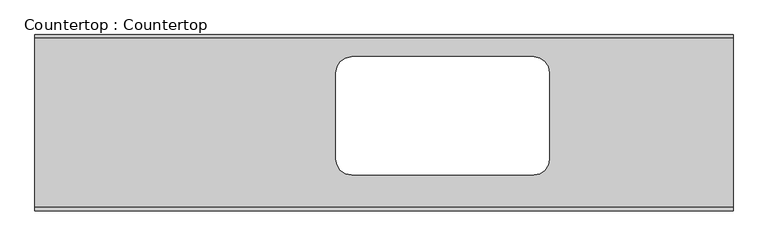
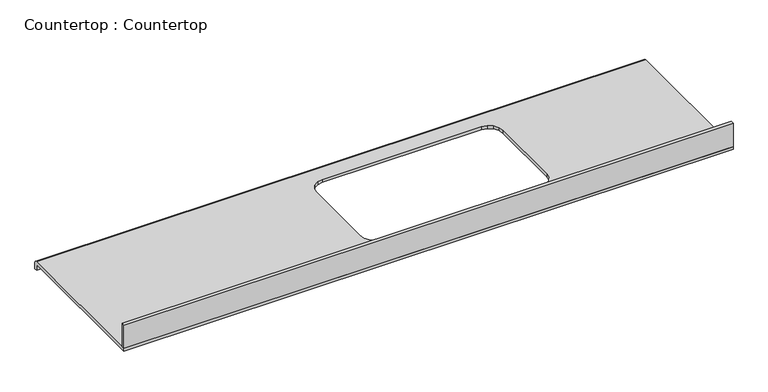
"""IFC4 building model written with IfcOpenShell, lengths in millimetres: proxy geometry, Countertop : Countertop."""

from ifc_helpers import new_model, si_unit, frame, origin, place, context, project, spatial, polyline, circle_curve, outline, extrude, source, transform, mapped, element, save
from ifc_brep_helpers import plane_surface, cylinder_surface, advanced_brep


def countertop_countertop_032a7ed5(model_context):
    return source(origin(), model_context, "Body", "SolidModel", [
        extrude(outline(polyline([(2511.425, 0.0), (0.0, 0.0), (0.0, 12.7), (2511.425, 12.7), (2511.425, 0.0)])), frame((0.0, 0.0, 863.6), z_axis=(0.0, 0.0, 1.0), x_axis=(1.0, 0.0, 0.0)), (0.0, 0.0, 1.0), 101.6),
        advanced_brep(
        [(0.0, 622.3, 863.6), (0.0, 635.0, 850.9), (0.0, 635.0, 825.5), (0.0, 622.3, 825.5), (0.0, 622.3, 850.9), (0.0, 0.0, 850.9), (0.0, 0.0, 863.6), (2511.425, 622.3, 863.6), (2511.425, 0.0, 863.6), (2511.425, 0.0, 850.9), (2511.425, 622.3, 850.9), (2511.425, 622.3, 825.5), (2511.425, 635.0, 825.5), (2511.425, 635.0, 850.9), (1099.0719245, 146.7254885, 863.6), (1086.656376, 165.3066, 863.6), (1082.4210508, 186.5991802, 863.6), (1082.4210508, 499.2540124, 863.6), (1086.6563756, 520.5465625, 863.6), (1099.0719226, 539.127729, 863.6), (1117.6530842, 551.5432441, 863.6), (1138.9456302, 555.7785959, 863.6), (1794.500473, 555.7785959, 863.6), (1815.7929657, 551.5432437, 863.6), (1834.3741582, 539.1277271, 863.6), (1846.7896489, 520.5465591, 863.6), (1851.025, 499.2540165, 863.6), (1851.025, 186.5991761, 863.6), (1846.7896484, 165.3066034, 863.6), (1834.3741562, 146.7254905, 863.6), (1815.7929691, 134.3099489, 863.6), (1794.500473, 130.0745959, 863.6), (1138.9456302, 130.0745959, 863.6), (1117.6530808, 134.3099484, 863.6), (1117.6530808, 134.3099484, 850.9), (1138.9456302, 130.0745959, 850.9), (1794.500473, 130.0745959, 850.9), (1815.7929691, 134.3099489, 850.9), (1834.3741562, 146.7254905, 850.9), (1846.7896484, 165.3066034, 850.9), (1851.025, 186.5991761, 850.9), (1851.025, 499.2540165, 850.9), (1846.7896489, 520.5465591, 850.9), (1834.3741582, 539.1277271, 850.9), (1815.7929657, 551.5432437, 850.9), (1794.500473, 555.7785959, 850.9), (1138.9456302, 555.7785959, 850.9), (1117.6530842, 551.5432441, 850.9), (1099.0719226, 539.127729, 850.9), (1086.6563756, 520.5465625, 850.9), (1082.4210508, 499.2540124, 850.9), (1082.4210508, 186.5991802, 850.9), (1086.656376, 165.3066, 850.9), (1099.0719245, 146.7254885, 850.9)],
        [
            (0, 1, circle_curve(frame((0.0, 622.3, 850.9), z_axis=(-1.0, 0.0, 0.0), x_axis=(0.0, -1.0, 0.0)), 12.7)),
            (1, 2),
            (2, 3),
            (3, 4),
            (4, 5),
            (5, 6),
            (6, 0),
            (7, 8),
            (8, 9),
            (9, 10),
            (10, 11),
            (11, 12),
            (12, 13),
            (13, 7, circle_curve(frame((2511.425, 622.3, 850.9), z_axis=(1.0, 0.0, 0.0), x_axis=(0.0, -1.0, 0.0)), 12.7)),
            (6, 8),
            (7, 0),
            (14, 15),
            (15, 16),
            (16, 17),
            (17, 18),
            (18, 19),
            (19, 20),
            (20, 21),
            (21, 22),
            (22, 23),
            (23, 24),
            (24, 25),
            (25, 26),
            (26, 27),
            (27, 28),
            (28, 29),
            (29, 30),
            (30, 31),
            (31, 32),
            (32, 33),
            (33, 14),
            (5, 9),
            (4, 10),
            (34, 35),
            (35, 36),
            (36, 37),
            (37, 38),
            (38, 39),
            (39, 40),
            (40, 41),
            (41, 42),
            (42, 43),
            (43, 44),
            (44, 45),
            (45, 46),
            (46, 47),
            (47, 48),
            (48, 49),
            (49, 50),
            (50, 51),
            (51, 52),
            (52, 53),
            (53, 34),
            (3, 11),
            (2, 12),
            (1, 13),
            (53, 14),
            (33, 34),
            (52, 15),
            (51, 16),
            (50, 17),
            (49, 18),
            (48, 19),
            (47, 20),
            (46, 21),
            (45, 22),
            (44, 23),
            (43, 24),
            (42, 25),
            (41, 26),
            (40, 27),
            (39, 28),
            (38, 29),
            (37, 30),
            (36, 31),
            (35, 32),
        ],
        [
            plane_surface(frame((0.0, 0.0, 863.6), z_axis=(-1.0, 0.0, 0.0), x_axis=(0.0, 0.0, 1.0))),
            plane_surface(frame((2511.425, 0.0, 863.6), z_axis=(1.0, 0.0, 0.0), x_axis=(0.0, 0.0, 1.0))),
            plane_surface(frame((0.0, 622.3, 863.6), z_axis=(0.0, 0.0, 1.0), x_axis=(1.0, 0.0, 0.0))),
            plane_surface(frame((0.0, 0.0, 863.6), z_axis=(0.0, -1.0, 0.0), x_axis=(1.0, 0.0, 0.0))),
            plane_surface(frame((0.0, 0.0, 850.9), z_axis=(0.0, 0.0, -1.0), x_axis=(1.0, 0.0, 0.0))),
            plane_surface(frame((0.0, 622.3, 850.9), z_axis=(0.0, -1.0, 0.0), x_axis=(1.0, 0.0, 0.0))),
            plane_surface(frame((0.0, 622.3, 825.5), z_axis=(0.0, 0.0, -1.0), x_axis=(1.0, 0.0, 0.0))),
            plane_surface(frame((0.0, 635.0, 825.5), z_axis=(0.0, 1.0, 0.0), x_axis=(1.0, 0.0, 0.0))),
            cylinder_surface(frame((0.0, 622.3, 850.9), z_axis=(-1.0, 0.0, 0.0), x_axis=(0.0, -1.0, 0.0)), 12.7),
            plane_surface(frame((1117.6530808, 134.3099484, 928.210099), z_axis=(0.5555704946525724, 0.8314694374849242, 0.0), x_axis=(0.0, 0.0, -1.0))),
            plane_surface(frame((1099.0719245, 146.7254885, 928.210099), z_axis=(0.8314686464171007, 0.5555716785666045, 0.0), x_axis=(0.0, 0.0, -1.0))),
            plane_surface(frame((1086.656376, 165.3066, 928.210099), z_axis=(0.9807855650249105, 0.1950888911208609, 0.0), x_axis=(0.0, 0.0, -1.0))),
            plane_surface(frame((1082.4210508, 186.5991802, 928.210099), z_axis=(1.0, 0.0, 0.0), x_axis=(0.0, 0.0, -1.0))),
            plane_surface(frame((1082.4210508, 499.2540124, 928.210099), z_axis=(0.9807855162530125, -0.19508913631545938, 0.0), x_axis=(0.0, 0.0, -1.0))),
            plane_surface(frame((1086.6563756, 520.5465625, 928.210099), z_axis=(0.8314694374849193, -0.5555704946525796, 0.0), x_axis=(0.0, 0.0, -1.0))),
            plane_surface(frame((1099.0719226, 539.127729, 928.210099), z_axis=(0.5555696087274231, -0.8314700294409042, 0.0), x_axis=(0.0, 0.0, -1.0))),
            plane_surface(frame((1117.6530842, 551.5432441, 928.210099), z_axis=(0.1950903690008166, -0.9807852710573938, 0.0), x_axis=(0.0, 0.0, -1.0))),
            plane_surface(frame((1138.9456302, 555.7785959, 928.210099), z_axis=(0.0, -1.0, 0.0), x_axis=(0.0, 0.0, -1.0))),
            plane_surface(frame((1794.500473, 555.7785959, 928.210099), z_axis=(-0.19509085939469806, -0.9807851735118339, 0.0), x_axis=(0.0, 0.0, -1.0))),
            plane_surface(frame((1815.7929657, 551.5432437, 928.210099), z_axis=(-0.5555690167719735, -0.8314704249719426, 0.0), x_axis=(0.0, 0.0, -1.0))),
            plane_surface(frame((1834.3741582, 539.1277271, 928.210099), z_axis=(-0.8314706213967956, -0.555568722800363, 0.0), x_axis=(0.0, 0.0, -1.0))),
            plane_surface(frame((1846.7896489, 520.5465591, 928.210099), z_axis=(-0.9807852710574041, -0.1950903690007643, 0.0), x_axis=(0.0, 0.0, -1.0))),
            plane_surface(frame((1851.025, 499.2540165, 928.210099), z_axis=(-1.0, 0.0, 0.0), x_axis=(0.0, 0.0, -1.0))),
            plane_surface(frame((1851.025, 186.5991761, 928.210099), z_axis=(-0.9807853198298971, 0.19509012380478497, 0.0), x_axis=(0.0, 0.0, -1.0))),
            plane_surface(frame((1846.7896484, 165.3066034, 928.210099), z_axis=(-0.8314698303328858, 0.5555699067139996, 0.0), x_axis=(0.0, 0.0, -1.0))),
            plane_surface(frame((1834.3741562, 146.7254905, 928.210099), z_axis=(-0.5555699026970268, 0.831469833016939, 0.0), x_axis=(0.0, 0.0, -1.0))),
            plane_surface(frame((1815.7929691, 134.3099489, 928.210099), z_axis=(-0.195090859394691, 0.9807851735118354, 0.0), x_axis=(0.0, 0.0, -1.0))),
            plane_surface(frame((1794.500473, 130.0745959, 928.210099), z_axis=(0.0, 1.0, 0.0), x_axis=(0.0, 0.0, -1.0))),
            plane_surface(frame((1138.9456302, 130.0745959, 928.210099), z_axis=(0.195090369000822, 0.9807852710573927, 0.0), x_axis=(0.0, 0.0, -1.0))),
        ],
        [
            (0, [[1, 2, 3, 4, 5, 6, 7]]),
            (1, [[8, 9, 10, 11, 12, 13, 14]]),
            (2, [[15, -8, 16, -7], [17, 18, 19, 20, 21, 22, 23, 24, 25, 26, 27, 28, 29, 30, 31, 32, 33, 34, 35, 36]]),
            (3, [[37, -9, -15, -6]]),
            (4, [[38, -10, -37, -5], [39, 40, 41, 42, 43, 44, 45, 46, 47, 48, 49, 50, 51, 52, 53, 54, 55, 56, 57, 58]]),
            (5, [[59, -11, -38, -4]]),
            (6, [[60, -12, -59, -3]]),
            (7, [[61, -13, -60, -2]]),
            (8, [[-16, -14, -61, -1]]),
            (9, [[-58, 62, -36, 63]]),
            (10, [[-57, 64, -17, -62]]),
            (11, [[-56, 65, -18, -64]]),
            (12, [[-55, 66, -19, -65]]),
            (13, [[-54, 67, -20, -66]]),
            (14, [[-53, 68, -21, -67]]),
            (15, [[-52, 69, -22, -68]]),
            (16, [[-51, 70, -23, -69]]),
            (17, [[-50, 71, -24, -70]]),
            (18, [[-49, 72, -25, -71]]),
            (19, [[-48, 73, -26, -72]]),
            (20, [[-47, 74, -27, -73]]),
            (21, [[-46, 75, -28, -74]]),
            (22, [[-45, 76, -29, -75]]),
            (23, [[-44, 77, -30, -76]]),
            (24, [[-43, 78, -31, -77]]),
            (25, [[-42, 79, -32, -78]]),
            (26, [[-41, 80, -33, -79]]),
            (27, [[-34, -80, -40, 81]]),
            (28, [[-35, -81, -39, -63]]),
        ],
    ),
    ])


if __name__ == "__main__":
    model = new_model("IFC4")
    model_context = context("Model", 3, world=origin())
    ifc_project = project(units=[si_unit("LENGTHUNIT", "METRE", prefix="MILLI")], contexts=[model_context])
    site = spatial("IfcSite", under=ifc_project)
    building = spatial("IfcBuilding", under=site)
    placement = place(None, origin())
    countertop_countertop_shape = countertop_countertop_032a7ed5(model_context)
    element("IfcBuildingElementProxy", 1, Name="Countertop : Countertop", ObjectType="Countertop : Countertop", at=placement, inside=building, context=model_context, shape_type="MappedRepresentation", body=[
        mapped(countertop_countertop_shape, transform((0.0, 0.0, 0.0), x_axis=(1.0, 0.0, 0.0), y_axis=(0.0, 1.0, 0.0), z_axis=(0.0, 0.0, 1.0))),
    ])
    save(model, "model.ifc")
